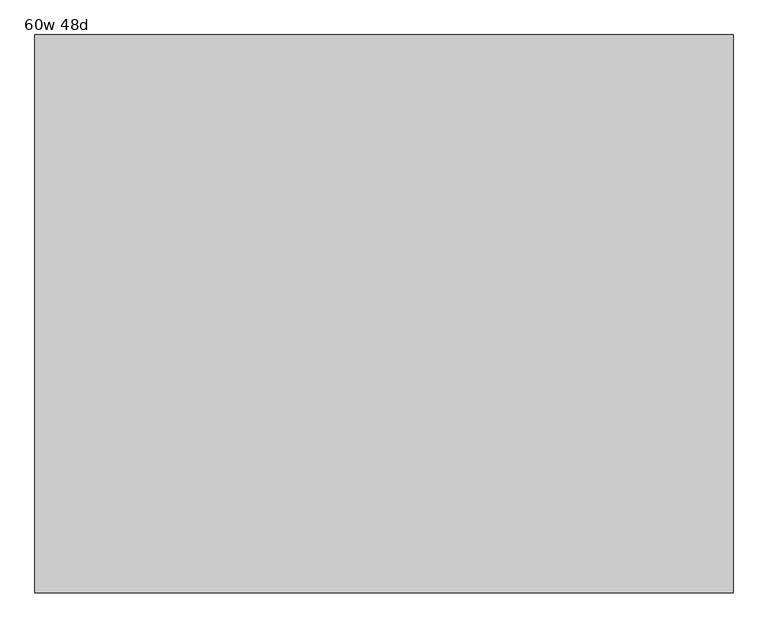
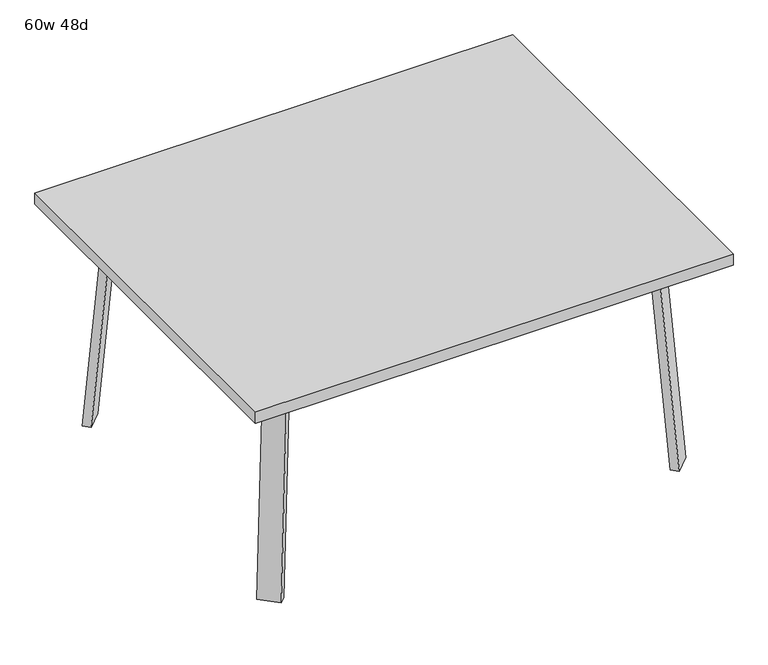
"""IFC4 building model written with IfcOpenShell, lengths in millimetres: furniture geometry, 60w 48d."""

from ifc_helpers import new_model, si_unit, point, frame, frame_2d, origin, place, context, project, spatial, polyline, circle_curve, trimmed, segment, composite_curve, outline, extrude, faceted_brep, source, transform, mapped, element, save


def furniture_60w_48d_bdc0d1ed(model_context):
    return source(origin(), model_context, "Body", "SolidModel", [
        faceted_brep([(453.8753042, -426.4920519, 695.325), (493.3884312, -386.978925, 695.325), (548.5047531, -442.0952469, 695.325), (541.8631053, -448.7368947, 695.325), (480.8160726, -453.4328203, 695.325), (601.1368947, -389.4631053, 695.325), (595.2020849, -395.3979151, 695.325), (540.085763, -340.2815931, 695.325), (579.5988899, -300.7684662, 695.325), (606.5396583, -327.7092346, 695.325), (453.8753042, -426.4920519, 698.5), (480.8160726, -453.4328203, 698.5), (541.8631053, -448.7368947, 698.5), (601.1368947, -389.4631053, 698.5), (606.5396583, -327.7092346, 698.5), (579.5988899, -300.7684662, 698.5), (548.5047531, -442.0952469, 673.1), (595.2020849, -395.3979151, 673.1), (503.6034725, -397.1939663, 673.1), (550.3008043, -350.4966345, 673.1)], [[[0, 1, 2, 3, 4]], [[5, 6, 7, 8, 9]], [[10, 11, 12, 13, 14, 15]], [[4, 11, 10, 0]], [[3, 12, 11, 4]], [[12, 3, 2, 16, 17, 6, 5, 13]], [[9, 14, 13, 5]], [[8, 15, 14, 9]], [[15, 8, 7, 1, 0, 10]], [[2, 1, 18, 16]], [[7, 6, 17, 19]], [[18, 19, 17, 16]], [[1, 7, 19, 18]]]),
        extrude(outline(composite_curve([segment(polyline([(-698.9257667, 0.0), (-704.4601563, 63.2583633), (-679.156811, 65.4721192), (-677.172355, 42.7896831)]), True, "CONTINUOUS"), segment(trimmed(circle_curve(frame_2d((-658.194846, 44.45)), 19.05), [point((-677.172355, 42.7896831))], [point((-658.194846, 25.4))], True, "CARTESIAN"), True, "CONTINUOUS"), segment(polyline([(-658.194846, 25.4), (0.0201778, 25.4), (2.2423899, 0.0), (-698.9257667, 0.0)]), True, "CONTINUOUS")], self_intersect=False)), frame((634.7792647, -531.7706733, 2.2338569), z_axis=(0.7071067811865512, 0.707106781186544, 0.0), x_axis=(0.06162841671622733, -0.06162841671621349, -0.9961946980917454)), (0.0, 0.0, 1.0), 69.85),
        faceted_brep([(453.8753042, 426.4920519, 695.325), (480.8160726, 453.4328203, 695.325), (541.8631053, 448.7368947, 695.325), (548.5047531, 442.0952469, 695.325), (493.3884312, 386.978925, 695.325), (601.1368947, 389.4631053, 695.325), (606.5396583, 327.7092346, 695.325), (579.5988899, 300.7684662, 695.325), (540.085763, 340.2815931, 695.325), (595.2020849, 395.3979151, 695.325), (453.8753042, 426.4920519, 698.5), (579.5988899, 300.7684662, 698.5), (606.5396583, 327.7092346, 698.5), (601.1368947, 389.4631053, 698.5), (541.8631053, 448.7368947, 698.5), (480.8160726, 453.4328203, 698.5), (595.2020849, 395.3979151, 673.1), (548.5047531, 442.0952469, 673.1), (503.6034725, 397.1939663, 673.1), (550.3008043, 350.4966345, 673.1)], [[[0, 1, 2, 3, 4]], [[5, 6, 7, 8, 9]], [[10, 11, 12, 13, 14, 15]], [[1, 0, 10, 15]], [[2, 1, 15, 14]], [[14, 13, 5, 9, 16, 17, 3, 2]], [[6, 5, 13, 12]], [[7, 6, 12, 11]], [[11, 10, 0, 4, 8, 7]], [[3, 17, 18, 4]], [[8, 19, 16, 9]], [[18, 17, 16, 19]], [[4, 18, 19, 8]]]),
        extrude(outline(composite_curve([segment(polyline([(698.9257667, 0.0), (704.4601563, -63.2583633), (679.156811, -65.4721192), (677.172355, -42.7896831)]), True, "CONTINUOUS"), segment(trimmed(circle_curve(frame_2d((658.194846, -44.45)), 19.05), [point((677.172355, -42.7896831))], [point((658.194846, -25.4))], True, "CARTESIAN"), True, "CONTINUOUS"), segment(polyline([(658.194846, -25.4), (-0.0201778, -25.4), (-2.2423899, 0.0), (698.9257667, 0.0)]), True, "CONTINUOUS")], self_intersect=False)), frame((684.1706733, 482.3792647, 2.2338569), z_axis=(-0.7071067811865512, 0.707106781186544, 0.0), x_axis=(-0.06162841671622733, -0.06162841671621349, 0.9961946980917454)), (0.0, 0.0, 1.0), 69.85),
        faceted_brep([(-453.8753042, 426.4920519, 695.325), (-493.3884312, 386.978925, 695.325), (-548.5047531, 442.0952469, 695.325), (-541.8631053, 448.7368947, 695.325), (-480.8160726, 453.4328203, 695.325), (-601.1368947, 389.4631053, 695.325), (-595.2020849, 395.3979151, 695.325), (-540.085763, 340.2815931, 695.325), (-579.5988899, 300.7684662, 695.325), (-606.5396583, 327.7092346, 695.325), (-453.8753042, 426.4920519, 698.5), (-480.8160726, 453.4328203, 698.5), (-541.8631053, 448.7368947, 698.5), (-601.1368947, 389.4631053, 698.5), (-606.5396583, 327.7092346, 698.5), (-579.5988899, 300.7684662, 698.5), (-548.5047531, 442.0952469, 673.1), (-595.2020849, 395.3979151, 673.1), (-503.6034725, 397.1939663, 673.1), (-550.3008043, 350.4966345, 673.1)], [[[0, 1, 2, 3, 4]], [[5, 6, 7, 8, 9]], [[10, 11, 12, 13, 14, 15]], [[4, 11, 10, 0]], [[3, 12, 11, 4]], [[12, 3, 2, 16, 17, 6, 5, 13]], [[9, 14, 13, 5]], [[8, 15, 14, 9]], [[15, 8, 7, 1, 0, 10]], [[2, 1, 18, 16]], [[7, 6, 17, 19]], [[18, 19, 17, 16]], [[1, 7, 19, 18]]]),
        extrude(outline(composite_curve([segment(polyline([(698.9257667, 0.0), (-2.2423899, 0.0), (-0.0201778, 25.4), (658.194846, 25.4)]), True, "CONTINUOUS"), segment(trimmed(circle_curve(frame_2d((658.194846, 44.45)), 19.05), [point((658.194846, 25.4))], [point((677.172355, 42.7896831))], True, "CARTESIAN"), True, "CONTINUOUS"), segment(polyline([(677.172355, 42.7896831), (679.156811, 65.4721192), (704.4601563, 63.2583633), (698.9257667, 0.0)]), True, "CONTINUOUS")], self_intersect=False)), frame((-684.1706733, 482.3792647, 2.2338569), z_axis=(0.7071067811865512, 0.707106781186544, 0.0), x_axis=(0.06162841671622733, -0.06162841671621349, 0.9961946980917454)), (0.0, 0.0, 1.0), 69.85),
        faceted_brep([(-453.8753042, -426.4920519, 695.325), (-480.8160726, -453.4328203, 695.325), (-541.8631053, -448.7368947, 695.325), (-548.5047531, -442.0952469, 695.325), (-493.3884312, -386.978925, 695.325), (-601.1368947, -389.4631053, 695.325), (-606.5396583, -327.7092346, 695.325), (-579.5988899, -300.7684662, 695.325), (-540.085763, -340.2815931, 695.325), (-595.2020849, -395.3979151, 695.325), (-453.8753042, -426.4920519, 698.5), (-579.5988899, -300.7684662, 698.5), (-606.5396583, -327.7092346, 698.5), (-601.1368947, -389.4631053, 698.5), (-541.8631053, -448.7368947, 698.5), (-480.8160726, -453.4328203, 698.5), (-595.2020849, -395.3979151, 673.1), (-548.5047531, -442.0952469, 673.1), (-503.6034725, -397.1939663, 673.1), (-550.3008043, -350.4966345, 673.1)], [[[0, 1, 2, 3, 4]], [[5, 6, 7, 8, 9]], [[10, 11, 12, 13, 14, 15]], [[1, 0, 10, 15]], [[2, 1, 15, 14]], [[14, 13, 5, 9, 16, 17, 3, 2]], [[6, 5, 13, 12]], [[7, 6, 12, 11]], [[11, 10, 0, 4, 8, 7]], [[3, 17, 18, 4]], [[8, 19, 16, 9]], [[18, 17, 16, 19]], [[4, 18, 19, 8]]]),
        extrude(outline(composite_curve([segment(polyline([(-698.9257667, 0.0), (2.2423899, 0.0), (0.0201778, -25.4), (-658.194846, -25.4)]), True, "CONTINUOUS"), segment(trimmed(circle_curve(frame_2d((-658.194846, -44.45)), 19.05), [point((-658.194846, -25.4))], [point((-677.172355, -42.7896831))], True, "CARTESIAN"), True, "CONTINUOUS"), segment(polyline([(-677.172355, -42.7896831), (-679.156811, -65.4721192), (-704.4601563, -63.2583633), (-698.9257667, 0.0)]), True, "CONTINUOUS")], self_intersect=False)), frame((-634.7792647, -531.7706733, 2.2338569), z_axis=(-0.7071067811865512, 0.707106781186544, 0.0), x_axis=(-0.06162841671622733, -0.06162841671621349, -0.9961946980917454)), (0.0, 0.0, 1.0), 69.85),
        extrude(outline(polyline([(762.0, 609.6), (762.0, -609.6), (-762.0, -609.6), (-762.0, 609.6), (762.0, 609.6)])), frame((0.0, 0.0, 698.5), z_axis=(0.0, 0.0, 1.0), x_axis=(1.0, 0.0, 0.0)), (0.0, 0.0, 1.0), 38.1),
    ])


if __name__ == "__main__":
    model = new_model("IFC4")
    model_context = context("Model", 3, world=origin())
    ifc_project = project(units=[si_unit("LENGTHUNIT", "METRE", prefix="MILLI")], contexts=[model_context])
    site = spatial("IfcSite", under=ifc_project)
    building = spatial("IfcBuilding", under=site)
    placement = place(None, origin())
    furniture_60w_48d_shape = furniture_60w_48d_bdc0d1ed(model_context)
    element("IfcFurniture", 1, ObjectType="60w 48d", at=placement, inside=building, context=model_context, shape_type="MappedRepresentation", body=[
        mapped(furniture_60w_48d_shape, transform((0.0, 0.0, 0.0), x_axis=(1.0, 0.0, 0.0), y_axis=(0.0, 1.0, 0.0), z_axis=(0.0, 0.0, 1.0))),
    ])
    save(model, "model.ifc")
